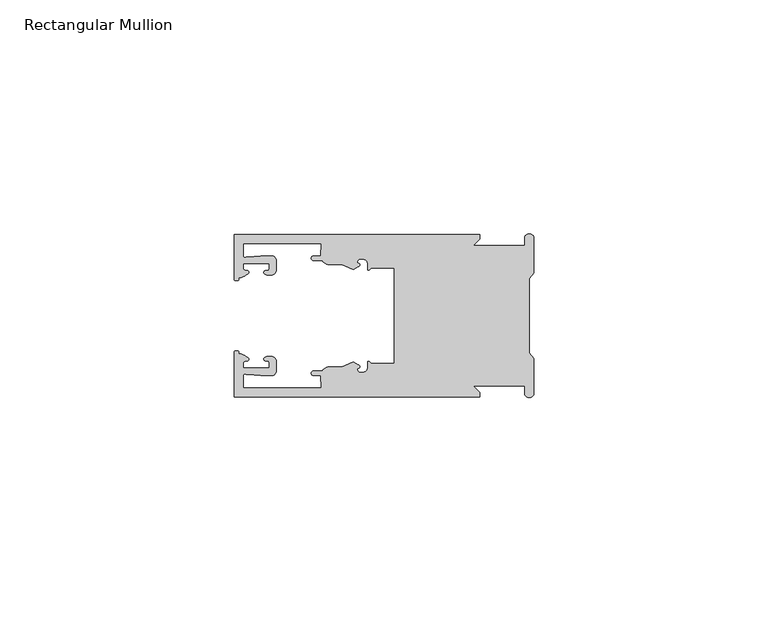
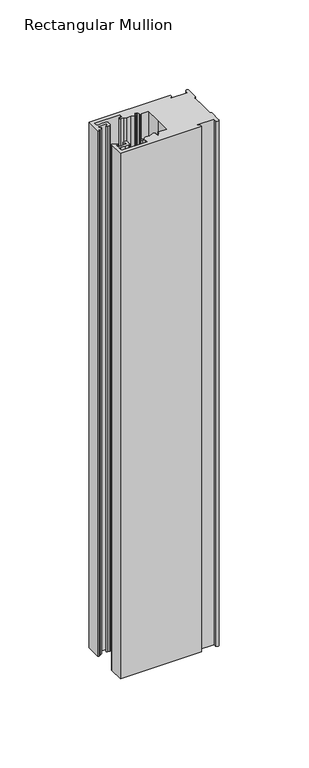
"""IFC4 building model written with IfcOpenShell, lengths in millimetres: member geometry, Rectangular Mullion."""

from ifc_helpers import new_model, si_unit, frame, origin, place, context, project, spatial, polyline, circle_curve, source, transform, mapped, element, save
from ifc_brep_helpers import plane_surface, cylinder_surface, revolved_surface, extruded_surface, spline_curve, advanced_brep


def rectangular_mullion_ec241284(model_context):
    return source(origin(), model_context, "Body", "AdvancedBrep", [
        advanced_brep(
        [(-11.5387897, 17.4000478, 0.0), (-64.0387868, 17.4000478, 0.0), (-64.0387868, 7.8350057, 0.0), (-63.2884687, 7.5412947, 0.0), (-62.4614154, 8.1921895, 0.0), (-62.0410649, 9.9426451, 0.0), (-62.0424168, 11.1926444, 0.0), (-56.54242, 11.1985924, 0.0), (-56.5410682, 9.9485931, 0.0), (-57.1085345, 8.7314723, 0.0), (-56.0397166, 8.6991345, 0.0), (-55.0407987, 9.7002154, 0.0), (-55.0430697, 11.8002142, 0.0), (-56.0446364, 12.7991315, 0.0), (-58.3650753, 12.7954945, 0.0), (-61.1340054, 12.5502269, 0.0), (-62.044093, 12.7426435, 0.0), (-62.0469668, 15.4000478, 0.0), (-45.4240312, 15.4000478, 0.0), (-45.5732135, 12.8000478, 0.0), (-47.0387868, 12.8000478, 0.0), (-47.0387868, 11.8000478, 0.0), (-45.2543363, 11.8000478, 0.0), (-43.6387868, 10.9000478, 0.0), (-41.0454034, 10.9000478, 0.0), (-38.5697136, 9.8718293, 0.0), (-37.5387868, 10.4670351, 0.0), (-37.6803436, 11.4201497, 0.0), (-37.0270763, 12.1583697, 0.0), (-36.2010815, 12.0127245, 0.0), (-35.54, 11.2248783, 0.0), (-35.54, 10.0, 0.0), (-34.7705791, 10.25, 0.0), (-29.79, 10.25, 0.0), (-29.79, 0.0, 0.0), (-29.79, -10.25, 0.0), (-34.7705791, -10.25, 0.0), (-35.54, -10.0, 0.0), (-35.54, -11.2248783, 0.0), (-36.2010815, -12.0127245, 0.0), (-37.0270763, -12.1583697, 0.0), (-37.6803436, -11.4201497, 0.0), (-37.5387868, -10.4670351, 0.0), (-38.5697136, -9.8718293, 0.0), (-41.0454034, -10.9000478, 0.0), (-43.6387868, -10.9000478, 0.0), (-45.2543363, -11.8000478, 0.0), (-47.0387868, -11.8000478, 0.0), (-47.0387868, -12.8000478, 0.0), (-45.5732135, -12.8000478, 0.0), (-45.4240312, -15.4000478, 0.0), (-62.0469668, -15.4000478, 0.0), (-62.044093, -12.7426435, 0.0), (-61.1340054, -12.5502269, 0.0), (-58.3650753, -12.7954945, 0.0), (-56.0446364, -12.7991314, 0.0), (-55.0430697, -11.8002142, 0.0), (-55.0407987, -9.7002154, 0.0), (-56.0397166, -8.6991345, 0.0), (-57.1085345, -8.7314723, 0.0), (-56.5410682, -9.9485931, 0.0), (-56.54242, -11.1985924, 0.0), (-62.0424168, -11.1926444, 0.0), (-62.0410649, -9.9426451, 0.0), (-62.4614154, -8.1921895, 0.0), (-63.2884687, -7.5412947, 0.0), (-64.0387868, -7.8350057, 0.0), (-64.0387868, -17.4000478, 0.0), (-11.5387897, -17.4000478, 0.0), (-11.5387897, -16.4000449, 0.0), (-12.9388346, -15.0, 0.0), (-2.0, -15.0, 0.0), (-2.0, -16.5, 0.0), (0.0, -16.5, 0.0), (0.0, -9.1160254, 0.0), (-1.0, -7.9613249, 0.0), (-1.0, 0.0, 0.0), (-1.0, 7.9613249, 0.0), (0.0, 9.1160254, 0.0), (0.0, 16.5, 0.0), (-2.0, 16.5, 0.0), (-2.0, 15.0, 0.0), (-12.9388346, 15.0, 0.0), (-11.5387897, 16.4000449, 0.0), (-11.5387897, 17.4000478, -358.8577679), (-11.5387897, 16.4000449, -358.8577679), (-12.9388346, 15.0, -358.8577679), (-2.0, 15.0, -358.8577679), (-2.0, 16.5, -358.8577679), (0.0, 16.5, -358.8577679), (0.0, 9.1160254, -358.8577679), (-1.0, 7.9613249, -358.8577679), (-1.0, 0.0, -358.8577679), (-1.0, -7.9613249, -358.8577679), (0.0, -9.1160254, -358.8577679), (0.0, -16.5, -358.8577679), (-2.0, -16.5, -358.8577679), (-2.0, -15.0, -358.8577679), (-12.9388346, -15.0, -358.8577679), (-11.5387897, -16.4000449, -358.8577679), (-11.5387897, -17.4000478, -358.8577679), (-64.0387868, -17.4000478, -358.8577679), (-64.0387868, -7.8350057, -358.8577679), (-63.2884687, -7.5412947, -358.8577679), (-62.4614154, -8.1921895, -358.8577679), (-62.0410649, -9.9426451, -358.8577679), (-62.0424168, -11.1926444, -358.8577679), (-56.54242, -11.1985924, -358.8577679), (-56.5410682, -9.9485931, -358.8577679), (-57.1085345, -8.7314723, -358.8577679), (-56.0397166, -8.6991345, -358.8577679), (-55.0407987, -9.7002154, -358.8577679), (-55.0430697, -11.8002142, -358.8577679), (-56.0446364, -12.7991315, -358.8577679), (-58.3650753, -12.7954945, -358.8577679), (-61.1340054, -12.5502269, -358.8577679), (-62.044093, -12.7426435, -358.8577679), (-62.0469668, -15.4000478, -358.8577679), (-45.4240312, -15.4000478, -358.8577679), (-45.5732135, -12.8000478, -358.8577679), (-47.0387868, -12.8000478, -358.8577679), (-47.0387868, -11.8000478, -358.8577679), (-45.2543363, -11.8000478, -358.8577679), (-43.6387868, -10.9000478, -358.8577679), (-41.0454034, -10.9000478, -358.8577679), (-38.5697136, -9.8718293, -358.8577679), (-37.5387868, -10.4670351, -358.8577679), (-37.6803436, -11.4201497, -358.8577679), (-37.0270763, -12.1583697, -358.8577679), (-36.2010815, -12.0127245, -358.8577679), (-35.54, -11.2248783, -358.8577679), (-35.54, -10.0, -358.8577679), (-34.7705791, -10.25, -358.8577679), (-29.79, -10.25, -358.8577679), (-29.79, 0.0, -358.8577679), (-29.79, 10.25, -358.8577679), (-34.7705791, 10.25, -358.8577679), (-35.54, 10.0, -358.8577679), (-35.54, 11.2248783, -358.8577679), (-36.2010815, 12.0127245, -358.8577679), (-37.0270763, 12.1583697, -358.8577679), (-37.6803436, 11.4201497, -358.8577679), (-37.5387868, 10.4670351, -358.8577679), (-38.5697136, 9.8718293, -358.8577679), (-41.0454034, 10.9000478, -358.8577679), (-43.6387868, 10.9000478, -358.8577679), (-45.2543363, 11.8000478, -358.8577679), (-47.0387868, 11.8000478, -358.8577679), (-47.0387868, 12.8000478, -358.8577679), (-45.5732135, 12.8000478, -358.8577679), (-45.4240312, 15.4000478, -358.8577679), (-62.0469668, 15.4000478, -358.8577679), (-62.044093, 12.7426435, -358.8577679), (-61.1340054, 12.5502269, -358.8577679), (-58.3650753, 12.7954945, -358.8577679), (-56.0446364, 12.7991314, -358.8577679), (-55.0430697, 11.8002142, -358.8577679), (-55.0407987, 9.7002154, -358.8577679), (-56.0397166, 8.6991345, -358.8577679), (-57.1085345, 8.7314723, -358.8577679), (-56.5410682, 9.9485931, -358.8577679), (-56.54242, 11.1985924, -358.8577679), (-62.0424168, 11.1926444, -358.8577679), (-62.0410649, 9.9426451, -358.8577679), (-62.4614154, 8.1921895, -358.8577679), (-63.2884687, 7.5412947, -358.8577679), (-64.0387868, 7.8350057, -358.8577679), (-64.0387868, 17.4000478, -358.8577679)],
        [
            (0, 1),
            (1, 2),
            (2, 3, spline_curve(3, [(-64.0387868, 7.8350057, 0.0), (-64.038491377, 7.561831774, 0.0), (-63.788385325, 7.463928087, 0.0), (-63.2884687, 7.5412947, 0.0)], [4, 4], [0.0, 0.0019169337574178654])),
            (3, 4, spline_curve(3, [(-63.2884687, 7.5412947, 0.0), (-63.057760917, 7.582232011, 0.0), (-63.018445067, 7.725390894, 0.0), (-63.019925494, 8.056436881, 0.0), (-63.103444208, 8.236386866, 0.0), (-62.4614154, 8.1921895, 0.0)], [4, 2, 4], [0.0, 0.0010199524164107188, 0.0024874514725970356])),
            (4, 5, spline_curve(3, [(-62.4614154, 8.1921895, 0.0), (-60.988497673, 8.880962536, 0.0), (-60.794045122, 9.192776957, 0.0), (-60.949808078, 9.57023562, 0.0), (-61.145214014, 9.682771697, 0.0), (-61.665835706, 9.714019003, 0.0), (-61.965242574, 9.660891484, 0.0), (-62.0410649, 9.9426451, 0.0)], [4, 2, 2, 4], [0.0, 0.003269869179570428, 0.005490050486237203, 0.0073545767114364426])),
            (5, 6),
            (6, 7),
            (7, 8),
            (8, 9, spline_curve(3, [(-56.5410682, 9.9485931, 0.0), (-56.634838635, 9.597117104, 0.0), (-56.904956774, 9.698238818, 0.0), (-57.324171444, 9.731086209, 0.0), (-57.45969165, 9.646199885, 0.0), (-57.729003352, 9.346016011, 0.0), (-57.859492582, 9.113082158, 0.0), (-57.1085345, 8.7314723, 0.0)], [4, 2, 2, 4], [0.0, 0.001593963049934732, 0.0033360256320283306, 0.005339140673503943])),
            (9, 10),
            (10, 11, circle_curve(frame((-56.0407981, 9.699134, 0.0), z_axis=(0.0, 0.0, 1.0), x_axis=(0.0010814451158627505, -0.9999994152380598, 0.0)), 1.0)),
            (11, 12),
            (12, 13, circle_curve(frame((-56.0430691, 11.7991327, 0.0), z_axis=(0.0, 0.0, 1.0), x_axis=(0.0010814451158627505, -0.9999994152380598, 0.0)), 1.0)),
            (13, 14),
            (14, 15),
            (15, 16, spline_curve(3, [(-61.1340054, 12.5502269, 0.0), (-61.605485428, 12.508463911, 0.0), (-61.992111419, 12.303164326, 0.0), (-62.044093, 12.7426435, 0.0)], [4, 4], [0.0, 0.0014803385355886016])),
            (16, 17),
            (17, 18),
            (18, 19),
            (19, 20),
            (20, 21, circle_curve(frame((-47.0387868, 12.3000478, 0.0), z_axis=(0.0, 0.0, 1.0), x_axis=(0.0, -1.0, 0.0)), 0.5)),
            (21, 22),
            (22, 23, circle_curve(frame((-43.6387868, 12.8000478, 0.0), z_axis=(0.0, 0.0, 1.0), x_axis=(0.0, -1.0, 0.0)), 1.9)),
            (23, 24),
            (24, 25),
            (25, 26),
            (26, 27, spline_curve(3, [(-37.5387868, 10.4670351, 0.0), (-36.973919853, 10.833863985, 0.0), (-37.198159645, 11.135696286, 0.0), (-37.587892011, 11.260246073, 0.0), (-37.754584192, 11.180452419, 0.0), (-37.6803436, 11.4201497, 0.0)], [4, 2, 4], [0.0, 0.0019283703160353726, 0.003394584635652914])),
            (27, 28, circle_curve(frame((-37.0434863, 11.5147359, 0.0), z_axis=(0.0, 0.0, -1.0), x_axis=(0.0, -1.0, 0.0)), 0.643843)),
            (28, 29),
            (29, 30, circle_curve(frame((-36.34, 11.2248783, 0.0), z_axis=(0.0, 0.0, -1.0), x_axis=(0.0, -1.0, 0.0)), 0.8)),
            (30, 31),
            (31, 32, spline_curve(3, [(-35.54, 10.0, 0.0), (-35.440000238, 9.598293201, 0.0), (-35.183526594, 9.681626535, 0.0), (-34.7705791, 10.25, 0.0)], [4, 4], [0.0, 0.0027473296990141553])),
            (32, 33),
            (33, 34),
            (34, 35),
            (35, 36),
            (36, 37, spline_curve(3, [(-34.7705791, -10.25, 0.0), (-35.183526594, -9.681626535, 0.0), (-35.440000238, -9.598293201, 0.0), (-35.54, -10.0, 0.0)], [4, 4], [0.0, 0.0027473296990141553])),
            (37, 38),
            (38, 39, circle_curve(frame((-36.34, -11.2248783, 0.0), z_axis=(0.0, 0.0, -1.0), x_axis=(0.0, 1.0, 0.0)), 0.8)),
            (39, 40),
            (40, 41, circle_curve(frame((-37.0434863, -11.5147359, 0.0), z_axis=(0.0, 0.0, -1.0), x_axis=(0.0, 1.0, 0.0)), 0.643843)),
            (41, 42, spline_curve(3, [(-37.6803436, -11.4201497, 0.0), (-37.754584192, -11.180452419, 0.0), (-37.587892011, -11.260246073, 0.0), (-37.198159645, -11.135696286, 0.0), (-36.973919853, -10.833863985, 0.0), (-37.5387868, -10.4670351, 0.0)], [4, 2, 4], [0.0, 0.0014662143196175414, 0.003394584635652914])),
            (42, 43),
            (43, 44),
            (44, 45),
            (45, 46, circle_curve(frame((-43.6387868, -12.8000478, 0.0), z_axis=(0.0, 0.0, 1.0), x_axis=(0.0, 1.0, 0.0)), 1.9)),
            (46, 47),
            (47, 48, circle_curve(frame((-47.0387868, -12.3000478, 0.0), z_axis=(0.0, 0.0, 1.0), x_axis=(0.0, 1.0, 0.0)), 0.5)),
            (48, 49),
            (49, 50),
            (50, 51),
            (51, 52),
            (52, 53, spline_curve(3, [(-62.044093, -12.7426435, 0.0), (-61.992111419, -12.303164326, 0.0), (-61.605485428, -12.508463911, 0.0), (-61.1340054, -12.5502269, 0.0)], [4, 4], [0.0, 0.0014803385355886016])),
            (53, 54),
            (54, 55),
            (55, 56, circle_curve(frame((-56.0430691, -11.7991327, 0.0), z_axis=(0.0, 0.0, 1.0), x_axis=(0.001081445115855867, 0.9999994152380598, 0.0)), 1.0)),
            (56, 57),
            (57, 58, circle_curve(frame((-56.0407981, -9.699134, 0.0), z_axis=(0.0, 0.0, 1.0), x_axis=(0.001081445115855867, 0.9999994152380598, 0.0)), 1.0)),
            (58, 59),
            (59, 60, spline_curve(3, [(-57.1085345, -8.7314723, 0.0), (-57.859492582, -9.113082158, 0.0), (-57.729003352, -9.346016011, 0.0), (-57.45969165, -9.646199885, 0.0), (-57.324171444, -9.731086209, 0.0), (-56.904956774, -9.698238818, 0.0), (-56.634838635, -9.597117104, 0.0), (-56.5410682, -9.9485931, 0.0)], [4, 2, 2, 4], [0.0, 0.002003115041475612, 0.0037451776235692107, 0.005339140673503943])),
            (60, 61),
            (61, 62),
            (62, 63),
            (63, 64, spline_curve(3, [(-62.0410649, -9.9426451, 0.0), (-61.965242574, -9.660891484, 0.0), (-61.665835706, -9.714019003, 0.0), (-61.145214014, -9.682771697, 0.0), (-60.949808078, -9.57023562, 0.0), (-60.794045122, -9.192776957, 0.0), (-60.988497673, -8.880962536, 0.0), (-62.4614154, -8.1921895, 0.0)], [4, 2, 2, 4], [0.0, 0.0018645262251992395, 0.004084707531866015, 0.0073545767114364426])),
            (64, 65, spline_curve(3, [(-62.4614154, -8.1921895, 0.0), (-63.103444208, -8.236386866, 0.0), (-63.019925494, -8.056436881, 0.0), (-63.018445067, -7.725390894, 0.0), (-63.057760917, -7.582232011, 0.0), (-63.2884687, -7.5412947, 0.0)], [4, 2, 4], [0.0, 0.0014674990561863168, 0.0024874514725970356])),
            (65, 66, spline_curve(3, [(-63.2884687, -7.5412947, 0.0), (-63.788385325, -7.463928087, 0.0), (-64.038491377, -7.561831774, 0.0), (-64.0387868, -7.8350057, 0.0)], [4, 4], [0.0, 0.0019169337574178654])),
            (66, 67),
            (67, 68),
            (68, 69),
            (69, 70),
            (70, 71),
            (71, 72),
            (72, 73, circle_curve(frame((-1.0, -16.5, 0.0), z_axis=(0.0, 0.0, 1.0), x_axis=(0.0, 1.0, 0.0)), 1.0)),
            (73, 74),
            (74, 75),
            (75, 76),
            (76, 77),
            (77, 78),
            (78, 79),
            (79, 80, circle_curve(frame((-1.0, 16.5, 0.0), z_axis=(0.0, 0.0, 1.0), x_axis=(0.0, -1.0, 0.0)), 1.0)),
            (80, 81),
            (81, 82),
            (82, 83),
            (83, 0),
            (84, 85),
            (85, 86),
            (86, 87),
            (87, 88),
            (88, 89, circle_curve(frame((-1.0, 16.5, -358.8577679), z_axis=(0.0, 0.0, -1.0), x_axis=(0.0, -1.0, 0.0)), 1.0)),
            (89, 90),
            (90, 91),
            (91, 92),
            (92, 93),
            (93, 94),
            (94, 95),
            (95, 96, circle_curve(frame((-1.0, -16.5, -358.8577679), z_axis=(0.0, 0.0, -1.0), x_axis=(0.0, 1.0, 0.0)), 1.0)),
            (96, 97),
            (97, 98),
            (98, 99),
            (99, 100),
            (100, 101),
            (101, 102),
            (102, 103, spline_curve(3, [(-64.0387868, -7.8350057, -358.8577679), (-64.038491377, -7.561831774, -358.8577679), (-63.788385325, -7.463928087, -358.8577679), (-63.2884687, -7.5412947, -358.8577679)], [4, 4], [0.0, 0.0019169337574178654])),
            (103, 104, spline_curve(3, [(-63.2884687, -7.5412947, -358.8577679), (-63.057760917, -7.582232011, -358.8577679), (-63.018445067, -7.725390894, -358.8577679), (-63.019925494, -8.056436881, -358.8577679), (-63.103444208, -8.236386866, -358.8577679), (-62.4614154, -8.1921895, -358.8577679)], [4, 2, 4], [0.0, 0.0010199524164107188, 0.0024874514725970356])),
            (104, 105, spline_curve(3, [(-62.4614154, -8.1921895, -358.8577679), (-60.988497673, -8.880962536, -358.8577679), (-60.794045122, -9.192776957, -358.8577679), (-60.949808078, -9.57023562, -358.8577679), (-61.145214014, -9.682771697, -358.8577679), (-61.665835706, -9.714019003, -358.8577679), (-61.965242574, -9.660891484, -358.8577679), (-62.0410649, -9.9426451, -358.8577679)], [4, 2, 2, 4], [0.0, 0.003269869179570428, 0.005490050486237203, 0.0073545767114364426])),
            (105, 106),
            (106, 107),
            (107, 108),
            (108, 109, spline_curve(3, [(-56.5410682, -9.9485931, -358.8577679), (-56.634838635, -9.597117104, -358.8577679), (-56.904956774, -9.698238818, -358.8577679), (-57.324171444, -9.731086209, -358.8577679), (-57.45969165, -9.646199885, -358.8577679), (-57.729003352, -9.346016011, -358.8577679), (-57.859492582, -9.113082158, -358.8577679), (-57.1085345, -8.7314723, -358.8577679)], [4, 2, 2, 4], [0.0, 0.001593963049934732, 0.0033360256320283306, 0.005339140673503943])),
            (109, 110),
            (110, 111, circle_curve(frame((-56.0407981, -9.699134, -358.8577679), z_axis=(0.0, 0.0, -1.0), x_axis=(0.001081445115855867, 0.9999994152380598, 0.0)), 1.0)),
            (111, 112),
            (112, 113, circle_curve(frame((-56.0430691, -11.7991327, -358.8577679), z_axis=(0.0, 0.0, -1.0), x_axis=(0.001081445115855867, 0.9999994152380598, 0.0)), 1.0)),
            (113, 114),
            (114, 115),
            (115, 116, spline_curve(3, [(-61.1340054, -12.5502269, -358.8577679), (-61.605485428, -12.508463911, -358.8577679), (-61.992111419, -12.303164326, -358.8577679), (-62.044093, -12.7426435, -358.8577679)], [4, 4], [0.0, 0.0014803385355886016])),
            (116, 117),
            (117, 118),
            (118, 119),
            (119, 120),
            (120, 121, circle_curve(frame((-47.0387868, -12.3000478, -358.8577679), z_axis=(0.0, 0.0, -1.0), x_axis=(0.0, 1.0, 0.0)), 0.5)),
            (121, 122),
            (122, 123, circle_curve(frame((-43.6387868, -12.8000478, -358.8577679), z_axis=(0.0, 0.0, -1.0), x_axis=(0.0, 1.0, 0.0)), 1.9)),
            (123, 124),
            (124, 125),
            (125, 126),
            (126, 127, spline_curve(3, [(-37.5387868, -10.4670351, -358.8577679), (-36.973919853, -10.833863985, -358.8577679), (-37.198159645, -11.135696286, -358.8577679), (-37.587892011, -11.260246073, -358.8577679), (-37.754584192, -11.180452419, -358.8577679), (-37.6803436, -11.4201497, -358.8577679)], [4, 2, 4], [0.0, 0.0019283703160353726, 0.003394584635652914])),
            (127, 128, circle_curve(frame((-37.0434863, -11.5147359, -358.8577679), z_axis=(0.0, 0.0, 1.0), x_axis=(0.0, 1.0, 0.0)), 0.643843)),
            (128, 129),
            (129, 130, circle_curve(frame((-36.34, -11.2248783, -358.8577679), z_axis=(0.0, 0.0, 1.0), x_axis=(0.0, 1.0, 0.0)), 0.8)),
            (130, 131),
            (131, 132, spline_curve(3, [(-35.54, -10.0, -358.8577679), (-35.440000238, -9.598293201, -358.8577679), (-35.183526594, -9.681626535, -358.8577679), (-34.7705791, -10.25, -358.8577679)], [4, 4], [0.0, 0.0027473296990141553])),
            (132, 133),
            (133, 134),
            (134, 135),
            (135, 136),
            (136, 137, spline_curve(3, [(-34.7705791, 10.25, -358.8577679), (-35.183526594, 9.681626535, -358.8577679), (-35.440000238, 9.598293201, -358.8577679), (-35.54, 10.0, -358.8577679)], [4, 4], [0.0, 0.0027473296990141553])),
            (137, 138),
            (138, 139, circle_curve(frame((-36.34, 11.2248783, -358.8577679), z_axis=(0.0, 0.0, 1.0), x_axis=(0.0, -1.0, 0.0)), 0.8)),
            (139, 140),
            (140, 141, circle_curve(frame((-37.0434863, 11.5147359, -358.8577679), z_axis=(0.0, 0.0, 1.0), x_axis=(0.0, -1.0, 0.0)), 0.643843)),
            (141, 142, spline_curve(3, [(-37.6803436, 11.4201497, -358.8577679), (-37.754584192, 11.180452419, -358.8577679), (-37.587892011, 11.260246073, -358.8577679), (-37.198159645, 11.135696286, -358.8577679), (-36.973919853, 10.833863985, -358.8577679), (-37.5387868, 10.4670351, -358.8577679)], [4, 2, 4], [0.0, 0.0014662143196175414, 0.003394584635652914])),
            (142, 143),
            (143, 144),
            (144, 145),
            (145, 146, circle_curve(frame((-43.6387868, 12.8000478, -358.8577679), z_axis=(0.0, 0.0, -1.0), x_axis=(0.0, -1.0, 0.0)), 1.9)),
            (146, 147),
            (147, 148, circle_curve(frame((-47.0387868, 12.3000478, -358.8577679), z_axis=(0.0, 0.0, -1.0), x_axis=(0.0, -1.0, 0.0)), 0.5)),
            (148, 149),
            (149, 150),
            (150, 151),
            (151, 152),
            (152, 153, spline_curve(3, [(-62.044093, 12.7426435, -358.8577679), (-61.992111419, 12.303164326, -358.8577679), (-61.605485428, 12.508463911, -358.8577679), (-61.1340054, 12.5502269, -358.8577679)], [4, 4], [0.0, 0.0014803385355886016])),
            (153, 154),
            (154, 155),
            (155, 156, circle_curve(frame((-56.0430691, 11.7991327, -358.8577679), z_axis=(0.0, 0.0, -1.0), x_axis=(0.0010814451158627505, -0.9999994152380598, 0.0)), 1.0)),
            (156, 157),
            (157, 158, circle_curve(frame((-56.0407981, 9.699134, -358.8577679), z_axis=(0.0, 0.0, -1.0), x_axis=(0.0010814451158627505, -0.9999994152380598, 0.0)), 1.0)),
            (158, 159),
            (159, 160, spline_curve(3, [(-57.1085345, 8.7314723, -358.8577679), (-57.859492582, 9.113082158, -358.8577679), (-57.729003352, 9.346016011, -358.8577679), (-57.45969165, 9.646199885, -358.8577679), (-57.324171444, 9.731086209, -358.8577679), (-56.904956774, 9.698238818, -358.8577679), (-56.634838635, 9.597117104, -358.8577679), (-56.5410682, 9.9485931, -358.8577679)], [4, 2, 2, 4], [0.0, 0.002003115041475612, 0.0037451776235692107, 0.005339140673503943])),
            (160, 161),
            (161, 162),
            (162, 163),
            (163, 164, spline_curve(3, [(-62.0410649, 9.9426451, -358.8577679), (-61.965242574, 9.660891484, -358.8577679), (-61.665835706, 9.714019003, -358.8577679), (-61.145214014, 9.682771697, -358.8577679), (-60.949808078, 9.57023562, -358.8577679), (-60.794045122, 9.192776957, -358.8577679), (-60.988497673, 8.880962536, -358.8577679), (-62.4614154, 8.1921895, -358.8577679)], [4, 2, 2, 4], [0.0, 0.0018645262251992395, 0.004084707531866015, 0.0073545767114364426])),
            (164, 165, spline_curve(3, [(-62.4614154, 8.1921895, -358.8577679), (-63.103444208, 8.236386866, -358.8577679), (-63.019925494, 8.056436881, -358.8577679), (-63.018445067, 7.725390894, -358.8577679), (-63.057760917, 7.582232011, -358.8577679), (-63.2884687, 7.5412947, -358.8577679)], [4, 2, 4], [0.0, 0.0014674990561863168, 0.0024874514725970356])),
            (165, 166, spline_curve(3, [(-63.2884687, 7.5412947, -358.8577679), (-63.788385325, 7.463928087, -358.8577679), (-64.038491377, 7.561831774, -358.8577679), (-64.0387868, 7.8350057, -358.8577679)], [4, 4], [0.0, 0.0019169337574178654])),
            (166, 167),
            (167, 84),
            (0, 84),
            (167, 1),
            (166, 2),
            (165, 3),
            (164, 4),
            (163, 5),
            (162, 6),
            (161, 7),
            (160, 8),
            (159, 9),
            (158, 10),
            (157, 11),
            (156, 12),
            (155, 13),
            (154, 14),
            (153, 15),
            (152, 16),
            (151, 17),
            (150, 18),
            (149, 19),
            (148, 20),
            (147, 21),
            (146, 22),
            (145, 23),
            (144, 24),
            (143, 25),
            (142, 26),
            (141, 27),
            (140, 28),
            (139, 29),
            (138, 30),
            (137, 31),
            (136, 32),
            (135, 33),
            (134, 34),
            (133, 35),
            (132, 36),
            (131, 37),
            (130, 38),
            (129, 39),
            (128, 40),
            (127, 41),
            (126, 42),
            (125, 43),
            (124, 44),
            (123, 45),
            (122, 46),
            (121, 47),
            (120, 48),
            (119, 49),
            (118, 50),
            (117, 51),
            (116, 52),
            (115, 53),
            (114, 54),
            (113, 55),
            (112, 56),
            (111, 57),
            (110, 58),
            (109, 59),
            (108, 60),
            (107, 61),
            (106, 62),
            (105, 63),
            (104, 64),
            (103, 65),
            (102, 66),
            (101, 67),
            (100, 68),
            (99, 69),
            (98, 70),
            (97, 71),
            (96, 72),
            (95, 73),
            (94, 74),
            (93, 75),
            (92, 76),
            (91, 77),
            (90, 78),
            (89, 79),
            (88, 80),
            (87, 81),
            (86, 82),
            (85, 83),
        ],
        [
            plane_surface(frame((0.0, -66.3605898, 0.0), z_axis=(0.0, 0.0, 1.0), x_axis=(-1.0, 0.0, 0.0))),
            plane_surface(frame((0.0, -66.3605898, -358.8577679), z_axis=(0.0, 0.0, -1.0), x_axis=(-1.0, 0.0, 0.0))),
            plane_surface(frame((-11.5387897, 17.4000478, 0.0), z_axis=(0.0, 1.0, 0.0), x_axis=(0.0, 0.0, -1.0))),
            plane_surface(frame((-64.0387868, 17.4000478, 0.0), z_axis=(-1.0, 0.0, 0.0), x_axis=(0.0, 0.0, -1.0))),
            extruded_surface(spline_curve(3, [(-64.0387868, 7.8350057, -358.8577679), (-64.038491377, 7.561831774, -358.8577679), (-63.788385325, 7.463928087, -358.8577679), (-63.2884687, 7.5412947, -358.8577679)], [4, 4], [0.0, 0.0019169337574178654]), (0.0, 0.0, 358.8577679), 358.8577679),
            extruded_surface(spline_curve(3, [(-63.2884687, 7.5412947, -358.8577679), (-63.057760917, 7.582232011, -358.8577679), (-63.018445067, 7.725390894, -358.8577679), (-63.019925494, 8.056436881, -358.8577679), (-63.103444208, 8.236386866, -358.8577679), (-62.4614154, 8.1921895, -358.8577679)], [4, 2, 4], [0.0, 0.0010199524164107188, 0.0024874514725970356]), (0.0, 0.0, 358.8577679), 358.8577679),
            extruded_surface(spline_curve(3, [(-62.4614154, 8.1921895, -358.8577679), (-60.988497673, 8.880962536, -358.8577679), (-60.794045122, 9.192776957, -358.8577679), (-60.949808078, 9.57023562, -358.8577679), (-61.145214014, 9.682771697, -358.8577679), (-61.665835706, 9.714019003, -358.8577679), (-61.965242574, 9.660891484, -358.8577679), (-62.0410649, 9.9426451, -358.8577679)], [4, 2, 2, 4], [0.0, 0.003269869179570428, 0.005490050486237203, 0.0073545767114364426]), (0.0, 0.0, 358.8577679), 358.8577679),
            plane_surface(frame((-62.0410649, 9.9426451, 0.0), z_axis=(0.9999994152380598, 0.0010814451158593665, 0.0), x_axis=(0.0, 0.0, -1.0))),
            plane_surface(frame((-62.0424168, 11.1926444, 0.0), z_axis=(0.0010814451158611391, -0.9999994152380598, 0.0), x_axis=(0.0, 0.0, -1.0))),
            plane_surface(frame((-56.54242, 11.1985924, 0.0), z_axis=(-0.9999994152380598, -0.0010814451158584516, 0.0), x_axis=(0.0, 0.0, -1.0))),
            extruded_surface(spline_curve(3, [(-56.5410682, 9.9485931, -358.8577679), (-56.634838635, 9.597117104, -358.8577679), (-56.904956774, 9.698238818, -358.8577679), (-57.324171444, 9.731086209, -358.8577679), (-57.45969165, 9.646199885, -358.8577679), (-57.729003352, 9.346016011, -358.8577679), (-57.859492582, 9.113082158, -358.8577679), (-57.1085345, 8.7314723, -358.8577679)], [4, 2, 2, 4], [0.0, 0.001593963049934732, 0.0033360256320283306, 0.005339140673503943]), (0.0, 0.0, 358.8577679), 358.8577679),
            plane_surface(frame((-57.1085345, 8.7314723, 0.0), z_axis=(-0.030241832452869922, -0.9995426111826813, 0.0), x_axis=(0.0, 0.0, -1.0))),
            cylinder_surface(frame((-56.0407981, 9.699134, 0.0), z_axis=(0.0, 0.0, 1.0000000000000002), x_axis=(0.0010814451158627505, -0.9999994152380598, 0.0)), 1.0),
            plane_surface(frame((-55.0407987, 9.7002154, 0.0), z_axis=(0.9999994152380598, 0.001081445115858722, 0.0), x_axis=(0.0, 0.0, -1.0))),
            cylinder_surface(frame((-56.0430691, 11.7991327, 0.0), z_axis=(0.0, 0.0, 1.0000000000000002), x_axis=(0.0010814451158627505, -0.9999994152380598, 0.0)), 1.0),
            plane_surface(frame((-56.0446364, 12.7991314, 0.0), z_axis=(-0.0015673183327907744, 0.9999987717558677, 0.0), x_axis=(0.0, 0.0, -1.0))),
            plane_surface(frame((-58.3650753, 12.7954945, 0.0), z_axis=(-0.08823302167299531, 0.9960998614026874, 0.0), x_axis=(0.0, 0.0, -1.0))),
            extruded_surface(spline_curve(3, [(-61.1340054, 12.5502269, -358.8577679), (-61.605485428, 12.508463911, -358.8577679), (-61.992111419, 12.303164326, -358.8577679), (-62.044093, 12.7426435, -358.8577679)], [4, 4], [0.0, 0.0014803385355886016]), (0.0, 0.0, 358.8577679), 358.8577679),
            plane_surface(frame((-62.044093, 12.7426435, 0.0), z_axis=(0.9999994152380598, 0.0010814451158597813, 0.0), x_axis=(0.0, 0.0, -1.0))),
            plane_surface(frame((-62.0469668, 15.4000478, 0.0), z_axis=(0.0, -1.0, 0.0), x_axis=(0.0, 0.0, -1.0))),
            plane_surface(frame((-45.4240312, 15.4000478, 0.0), z_axis=(-0.9983579461523547, 0.05728360458675776, 0.0), x_axis=(0.0, 0.0, -1.0))),
            plane_surface(frame((-45.5732135, 12.8000478, 0.0), z_axis=(0.0, 1.0, 0.0), x_axis=(0.0, 0.0, -1.0))),
            cylinder_surface(frame((-47.0387868, 12.3000478, 0.0), z_axis=(0.0, 0.0, 1.0), x_axis=(0.0, -1.0, 0.0)), 0.5),
            plane_surface(frame((-47.0387868, 11.8000478, 0.0), z_axis=(0.0, -1.0, 0.0), x_axis=(0.0, 0.0, -1.0))),
            cylinder_surface(frame((-43.6387868, 12.8000478, 0.0), z_axis=(0.0, 0.0, 1.0), x_axis=(0.0, -1.0, 0.0)), 1.9),
            plane_surface(frame((-43.6387868, 10.9000478, 0.0), z_axis=(0.0, -1.0, 0.0), x_axis=(0.0, 0.0, -1.0))),
            plane_surface(frame((-41.0454034, 10.9000478, 0.0), z_axis=(-0.3835602140750569, -0.9235158700199453, 0.0), x_axis=(0.0, 0.0, -1.0))),
            plane_surface(frame((-38.5697136, 9.8718293, 0.0), z_axis=(0.5000000000252295, -0.8660254037698725, 0.0), x_axis=(0.0, 0.0, -1.0))),
            extruded_surface(spline_curve(3, [(-37.5387868, 10.4670351, -358.8577679), (-36.973919853, 10.833863985, -358.8577679), (-37.198159645, 11.135696286, -358.8577679), (-37.587892011, 11.260246073, -358.8577679), (-37.754584192, 11.180452419, -358.8577679), (-37.6803436, 11.4201497, -358.8577679)], [4, 2, 4], [0.0, 0.0019283703160353726, 0.003394584635652914]), (0.0, 0.0, 358.8577679), 358.8577679),
            revolved_surface(polyline([(-37.0434863, 10.8708929, -358.8577679), (-37.0434863, 10.8708929, 0.0)]), (-37.0434863, 11.5147359, 0.0), (0.0, 0.0, -1.0)),
            plane_surface(frame((-37.0270763, 12.1583697, 0.0), z_axis=(-0.17364817767050408, -0.984807753011578, 0.0), x_axis=(0.0, 0.0, -1.0))),
            revolved_surface(polyline([(-36.34, 10.4248783, -358.8577679), (-36.34, 10.4248783, 0.0)]), (-36.34, 11.2248783, 0.0), (0.0, 0.0, -1.0)),
            plane_surface(frame((-35.54, 11.2248783, 0.0), z_axis=(-1.0, 0.0, 0.0), x_axis=(0.0, 0.0, -1.0))),
            extruded_surface(spline_curve(3, [(-35.54, 10.0, -358.8577679), (-35.440000238, 9.598293201, -358.8577679), (-35.183526594, 9.681626535, -358.8577679), (-34.7705791, 10.25, -358.8577679)], [4, 4], [0.0, 0.0027473296990141553]), (0.0, 0.0, 358.8577679), 358.8577679),
            plane_surface(frame((-34.7705791, 10.25, 0.0), z_axis=(0.0, -1.0, 0.0), x_axis=(0.0, 0.0, -1.0))),
            plane_surface(frame((-29.79, 10.25, 0.0), z_axis=(-1.0, 0.0, 0.0), x_axis=(0.0, 0.0, -1.0))),
            plane_surface(frame((-29.79, 0.0, 0.0), z_axis=(-1.0, 0.0, 0.0), x_axis=(0.0, 0.0, -1.0))),
            plane_surface(frame((-29.79, -10.25, 0.0), z_axis=(0.0, 1.0, 0.0), x_axis=(0.0, 0.0, -1.0))),
            extruded_surface(spline_curve(3, [(-34.7705791, -10.25, -358.8577679), (-35.183526594, -9.681626535, -358.8577679), (-35.440000238, -9.598293201, -358.8577679), (-35.54, -10.0, -358.8577679)], [4, 4], [0.0, 0.0027473296990141553]), (0.0, 0.0, 358.8577679), 358.8577679),
            plane_surface(frame((-35.54, -10.0, 0.0), z_axis=(-1.0, 0.0, 0.0), x_axis=(0.0, 0.0, -1.0))),
            revolved_surface(polyline([(-36.34, -10.4248783, -358.8577679), (-36.34, -10.4248783, 0.0)]), (-36.34, -11.2248783, 0.0), (0.0, 0.0, -1.0)),
            plane_surface(frame((-36.2010815, -12.0127245, 0.0), z_axis=(-0.17364817767051083, 0.9848077530115767, 0.0), x_axis=(0.0, 0.0, -1.0))),
            revolved_surface(polyline([(-37.0434863, -10.8708929, -358.8577679), (-37.0434863, -10.8708929, 0.0)]), (-37.0434863, -11.5147359, 0.0), (0.0, 0.0, -1.0)),
            extruded_surface(spline_curve(3, [(-37.6803436, -11.4201497, -358.8577679), (-37.754584192, -11.180452419, -358.8577679), (-37.587892011, -11.260246073, -358.8577679), (-37.198159645, -11.135696286, -358.8577679), (-36.973919853, -10.833863985, -358.8577679), (-37.5387868, -10.4670351, -358.8577679)], [4, 2, 4], [0.0, 0.0014662143196175414, 0.003394584635652914]), (0.0, 0.0, 358.8577679), 358.8577679),
            plane_surface(frame((-37.5387868, -10.4670351, 0.0), z_axis=(0.5000000000252234, 0.8660254037698759, 0.0), x_axis=(0.0, 0.0, -1.0))),
            plane_surface(frame((-38.5697136, -9.8718293, 0.0), z_axis=(-0.38356021407506324, 0.9235158700199426, 0.0), x_axis=(0.0, 0.0, -1.0))),
            plane_surface(frame((-41.0454034, -10.9000478, 0.0), z_axis=(0.0, 1.0, 0.0), x_axis=(0.0, 0.0, -1.0))),
            cylinder_surface(frame((-43.6387868, -12.8000478, 0.0), z_axis=(0.0, 0.0, 1.0), x_axis=(0.0, 1.0, 0.0)), 1.9),
            plane_surface(frame((-45.2543363, -11.8000478, 0.0), z_axis=(0.0, 1.0, 0.0), x_axis=(0.0, 0.0, -1.0))),
            cylinder_surface(frame((-47.0387868, -12.3000478, 0.0), z_axis=(0.0, 0.0, 1.0), x_axis=(0.0, 1.0, 0.0)), 0.5),
            plane_surface(frame((-47.0387868, -12.8000478, 0.0), z_axis=(0.0, -1.0, 0.0), x_axis=(0.0, 0.0, -1.0))),
            plane_surface(frame((-45.5732135, -12.8000478, 0.0), z_axis=(-0.9983579461523543, -0.05728360458676463, 0.0), x_axis=(0.0, 0.0, -1.0))),
            plane_surface(frame((-45.4240312, -15.4000478, 0.0), z_axis=(0.0, 1.0, 0.0), x_axis=(0.0, 0.0, -1.0))),
            plane_surface(frame((-62.0469668, -15.4000478, 0.0), z_axis=(0.9999994152380598, -0.001081445115852898, 0.0), x_axis=(0.0, 0.0, -1.0))),
            extruded_surface(spline_curve(3, [(-62.044093, -12.7426435, -358.8577679), (-61.992111419, -12.303164326, -358.8577679), (-61.605485428, -12.508463911, -358.8577679), (-61.1340054, -12.5502269, -358.8577679)], [4, 4], [0.0, 0.0014803385355886016]), (0.0, 0.0, 358.8577679), 358.8577679),
            plane_surface(frame((-61.1340054, -12.5502269, 0.0), z_axis=(-0.08823302167298844, -0.9960998614026879, 0.0), x_axis=(0.0, 0.0, -1.0))),
            plane_surface(frame((-58.3650753, -12.7954945, 0.0), z_axis=(-0.001567318332783891, -0.9999987717558677, 0.0), x_axis=(0.0, 0.0, -1.0))),
            cylinder_surface(frame((-56.0430691, -11.7991327, 0.0), z_axis=(0.0, 0.0, 1.0000000000000002), x_axis=(0.001081445115855867, 0.9999994152380598, 0.0)), 1.0),
            plane_surface(frame((-55.0430697, -11.8002142, 0.0), z_axis=(0.9999994152380598, -0.0010814451158518386, 0.0), x_axis=(0.0, 0.0, -1.0))),
            cylinder_surface(frame((-56.0407981, -9.699134, 0.0), z_axis=(0.0, 0.0, 1.0000000000000002), x_axis=(0.001081445115855867, 0.9999994152380598, 0.0)), 1.0),
            plane_surface(frame((-56.0397166, -8.6991345, 0.0), z_axis=(-0.030241832452876805, 0.9995426111826811, 0.0), x_axis=(0.0, 0.0, -1.0))),
            extruded_surface(spline_curve(3, [(-57.1085345, -8.7314723, -358.8577679), (-57.859492582, -9.113082158, -358.8577679), (-57.729003352, -9.346016011, -358.8577679), (-57.45969165, -9.646199885, -358.8577679), (-57.324171444, -9.731086209, -358.8577679), (-56.904956774, -9.698238818, -358.8577679), (-56.634838635, -9.597117104, -358.8577679), (-56.5410682, -9.9485931, -358.8577679)], [4, 2, 2, 4], [0.0, 0.002003115041475612, 0.0037451776235692107, 0.005339140673503943]), (0.0, 0.0, 358.8577679), 358.8577679),
            plane_surface(frame((-56.5410682, -9.9485931, 0.0), z_axis=(-0.9999994152380598, 0.0010814451158515682, 0.0), x_axis=(0.0, 0.0, -1.0))),
            plane_surface(frame((-56.54242, -11.1985924, 0.0), z_axis=(0.0010814451158542558, 0.9999994152380598, 0.0), x_axis=(0.0, 0.0, -1.0))),
            plane_surface(frame((-62.0424168, -11.1926444, 0.0), z_axis=(0.9999994152380598, -0.001081445115852483, 0.0), x_axis=(0.0, 0.0, -1.0))),
            extruded_surface(spline_curve(3, [(-62.0410649, -9.9426451, -358.8577679), (-61.965242574, -9.660891484, -358.8577679), (-61.665835706, -9.714019003, -358.8577679), (-61.145214014, -9.682771697, -358.8577679), (-60.949808078, -9.57023562, -358.8577679), (-60.794045122, -9.192776957, -358.8577679), (-60.988497673, -8.880962536, -358.8577679), (-62.4614154, -8.1921895, -358.8577679)], [4, 2, 2, 4], [0.0, 0.0018645262251992395, 0.004084707531866015, 0.0073545767114364426]), (0.0, 0.0, 358.8577679), 358.8577679),
            extruded_surface(spline_curve(3, [(-62.4614154, -8.1921895, -358.8577679), (-63.103444208, -8.236386866, -358.8577679), (-63.019925494, -8.056436881, -358.8577679), (-63.018445067, -7.725390894, -358.8577679), (-63.057760917, -7.582232011, -358.8577679), (-63.2884687, -7.5412947, -358.8577679)], [4, 2, 4], [0.0, 0.0014674990561863168, 0.0024874514725970356]), (0.0, 0.0, 358.8577679), 358.8577679),
            extruded_surface(spline_curve(3, [(-63.2884687, -7.5412947, -358.8577679), (-63.788385325, -7.463928087, -358.8577679), (-64.038491377, -7.561831774, -358.8577679), (-64.0387868, -7.8350057, -358.8577679)], [4, 4], [0.0, 0.0019169337574178654]), (0.0, 0.0, 358.8577679), 358.8577679),
            plane_surface(frame((-64.0387868, -7.8350057, 0.0), z_axis=(-1.0, 0.0, 0.0), x_axis=(0.0, 0.0, -1.0))),
            plane_surface(frame((-64.0387868, -17.4000478, 0.0), z_axis=(0.0, -1.0, 0.0), x_axis=(0.0, 0.0, -1.0))),
            plane_surface(frame((-11.5387897, -17.4000478, 0.0), z_axis=(1.0, 0.0, 0.0), x_axis=(0.0, 0.0, -1.0))),
            plane_surface(frame((-11.5387897, -16.4000449, 0.0), z_axis=(0.7071067811865457, 0.7071067811865493, 0.0), x_axis=(0.0, 0.0, -1.0))),
            plane_surface(frame((-12.9388346, -15.0, 0.0), z_axis=(0.0, -1.0, 0.0), x_axis=(0.0, 0.0, -1.0))),
            plane_surface(frame((-2.0, -15.0, 0.0), z_axis=(-1.0, 0.0, 0.0), x_axis=(0.0, 0.0, -1.0))),
            cylinder_surface(frame((-1.0, -16.5, 0.0), z_axis=(0.0, 0.0, 1.0), x_axis=(0.0, 1.0, 0.0)), 1.0),
            plane_surface(frame((0.0, -16.5, 0.0), z_axis=(1.0, 0.0, 0.0), x_axis=(0.0, 0.0, -1.0))),
            plane_surface(frame((0.0, -9.1160254, 0.0), z_axis=(0.7559289460231527, 0.6546536707025522, 0.0), x_axis=(0.0, 0.0, -1.0))),
            plane_surface(frame((-1.0, -7.9613249, 0.0), z_axis=(1.0, 0.0, 0.0), x_axis=(0.0, 0.0, -1.0))),
            plane_surface(frame((-1.0, 0.0, 0.0), z_axis=(1.0, 0.0, 0.0), x_axis=(0.0, 0.0, -1.0))),
            plane_surface(frame((-1.0, 7.9613249, 0.0), z_axis=(0.7559289460231571, -0.654653670702547, 0.0), x_axis=(0.0, 0.0, -1.0))),
            plane_surface(frame((0.0, 9.1160254, 0.0), z_axis=(1.0, 0.0, 0.0), x_axis=(0.0, 0.0, -1.0))),
            cylinder_surface(frame((-1.0, 16.5, 0.0), z_axis=(0.0, 0.0, 1.0), x_axis=(0.0, -1.0, 0.0)), 1.0),
            plane_surface(frame((-2.0, 16.5, 0.0), z_axis=(-1.0, 0.0, 0.0), x_axis=(0.0, 0.0, -1.0))),
            plane_surface(frame((-2.0, 15.0, 0.0), z_axis=(0.0, 1.0, 0.0), x_axis=(0.0, 0.0, -1.0))),
            plane_surface(frame((-12.9388346, 15.0, 0.0), z_axis=(0.7071067811865507, -0.7071067811865446, 0.0), x_axis=(0.0, 0.0, -1.0))),
            plane_surface(frame((-11.5387897, 16.4000449, 0.0), z_axis=(1.0, 0.0, 0.0), x_axis=(0.0, 0.0, -1.0))),
        ],
        [
            (0, [[1, 2, 3, 4, 5, 6, 7, 8, 9, 10, 11, 12, 13, 14, 15, 16, 17, 18, 19, 20, 21, 22, 23, 24, 25, 26, 27, 28, 29, 30, 31, 32, 33, 34, 35, 36, 37, 38, 39, 40, 41, 42, 43, 44, 45, 46, 47, 48, 49, 50, 51, 52, 53, 54, 55, 56, 57, 58, 59, 60, 61, 62, 63, 64, 65, 66, 67, 68, 69, 70, 71, 72, 73, 74, 75, 76, 77, 78, 79, 80, 81, 82, 83, 84]]),
            (1, [[85, 86, 87, 88, 89, 90, 91, 92, 93, 94, 95, 96, 97, 98, 99, 100, 101, 102, 103, 104, 105, 106, 107, 108, 109, 110, 111, 112, 113, 114, 115, 116, 117, 118, 119, 120, 121, 122, 123, 124, 125, 126, 127, 128, 129, 130, 131, 132, 133, 134, 135, 136, 137, 138, 139, 140, 141, 142, 143, 144, 145, 146, 147, 148, 149, 150, 151, 152, 153, 154, 155, 156, 157, 158, 159, 160, 161, 162, 163, 164, 165, 166, 167, 168]]),
            (2, [[-1, 169, -168, 170]]),
            (3, [[-2, -170, -167, 171]]),
            (4, [[-3, -171, -166, 172]]),
            (5, [[-4, -172, -165, 173]]),
            (6, [[-5, -173, -164, 174]]),
            (7, [[-6, -174, -163, 175]]),
            (8, [[-7, -175, -162, 176]]),
            (9, [[-8, -176, -161, 177]]),
            (10, [[-9, -177, -160, 178]]),
            (11, [[-10, -178, -159, 179]]),
            (12, [[-11, -179, -158, 180]]),
            (13, [[-12, -180, -157, 181]]),
            (14, [[-13, -181, -156, 182]]),
            (15, [[-14, -182, -155, 183]]),
            (16, [[-15, -183, -154, 184]]),
            (17, [[-16, -184, -153, 185]]),
            (18, [[-17, -185, -152, 186]]),
            (19, [[-18, -186, -151, 187]]),
            (20, [[-19, -187, -150, 188]]),
            (21, [[-20, -188, -149, 189]]),
            (22, [[-21, -189, -148, 190]]),
            (23, [[-22, -190, -147, 191]]),
            (24, [[-23, -191, -146, 192]]),
            (25, [[-24, -192, -145, 193]]),
            (26, [[-25, -193, -144, 194]]),
            (27, [[-26, -194, -143, 195]]),
            (28, [[-27, -195, -142, 196]]),
            (29, [[-28, -196, -141, 197]]),
            (30, [[-29, -197, -140, 198]]),
            (31, [[-30, -198, -139, 199]]),
            (32, [[-31, -199, -138, 200]]),
            (33, [[-32, -200, -137, 201]]),
            (34, [[-33, -201, -136, 202]]),
            (35, [[-34, -202, -135, 203]]),
            (36, [[-35, -203, -134, 204]]),
            (37, [[-36, -204, -133, 205]]),
            (38, [[-37, -205, -132, 206]]),
            (39, [[-38, -206, -131, 207]]),
            (40, [[-39, -207, -130, 208]]),
            (41, [[-40, -208, -129, 209]]),
            (42, [[-41, -209, -128, 210]]),
            (43, [[-42, -210, -127, 211]]),
            (44, [[-43, -211, -126, 212]]),
            (45, [[-44, -212, -125, 213]]),
            (46, [[-45, -213, -124, 214]]),
            (47, [[-46, -214, -123, 215]]),
            (48, [[-47, -215, -122, 216]]),
            (49, [[-48, -216, -121, 217]]),
            (50, [[-49, -217, -120, 218]]),
            (51, [[-50, -218, -119, 219]]),
            (52, [[-51, -219, -118, 220]]),
            (53, [[-52, -220, -117, 221]]),
            (54, [[-53, -221, -116, 222]]),
            (55, [[-54, -222, -115, 223]]),
            (56, [[-55, -223, -114, 224]]),
            (57, [[-56, -224, -113, 225]]),
            (58, [[-57, -225, -112, 226]]),
            (59, [[-58, -226, -111, 227]]),
            (60, [[-59, -227, -110, 228]]),
            (61, [[-60, -228, -109, 229]]),
            (62, [[-61, -229, -108, 230]]),
            (63, [[-62, -230, -107, 231]]),
            (64, [[-63, -231, -106, 232]]),
            (65, [[-64, -232, -105, 233]]),
            (66, [[-65, -233, -104, 234]]),
            (67, [[-66, -234, -103, 235]]),
            (68, [[-67, -235, -102, 236]]),
            (69, [[-68, -236, -101, 237]]),
            (70, [[-69, -237, -100, 238]]),
            (71, [[-70, -238, -99, 239]]),
            (72, [[-71, -239, -98, 240]]),
            (73, [[-72, -240, -97, 241]]),
            (74, [[-73, -241, -96, 242]]),
            (75, [[-74, -242, -95, 243]]),
            (76, [[-75, -243, -94, 244]]),
            (77, [[-76, -244, -93, 245]]),
            (78, [[-77, -245, -92, 246]]),
            (79, [[-78, -246, -91, 247]]),
            (80, [[-79, -247, -90, 248]]),
            (81, [[-80, -248, -89, 249]]),
            (82, [[-81, -249, -88, 250]]),
            (83, [[-82, -250, -87, 251]]),
            (84, [[-83, -251, -86, 252]]),
            (85, [[-84, -252, -85, -169]]),
        ],
    ),
    ])


if __name__ == "__main__":
    model = new_model("IFC4")
    model_context = context("Model", 3, world=origin())
    ifc_project = project(units=[si_unit("LENGTHUNIT", "METRE", prefix="MILLI")], contexts=[model_context])
    site = spatial("IfcSite", under=ifc_project)
    building = spatial("IfcBuilding", under=site)
    placement = place(None, origin())
    rectangular_mullion_shape = rectangular_mullion_ec241284(model_context)
    element("IfcMember", 1, ObjectType="Rectangular Mullion", at=placement, inside=building, context=model_context, shape_type="MappedRepresentation", body=[
        mapped(rectangular_mullion_shape, transform((0.0, 0.0, 0.0), x_axis=(1.0, 0.0, 0.0), y_axis=(0.0, 1.0, 0.0), z_axis=(0.0, 0.0, 1.0))),
    ])
    save(model, "model.ifc")
